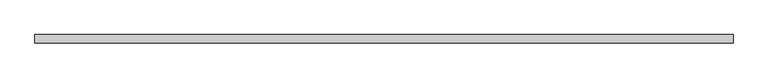
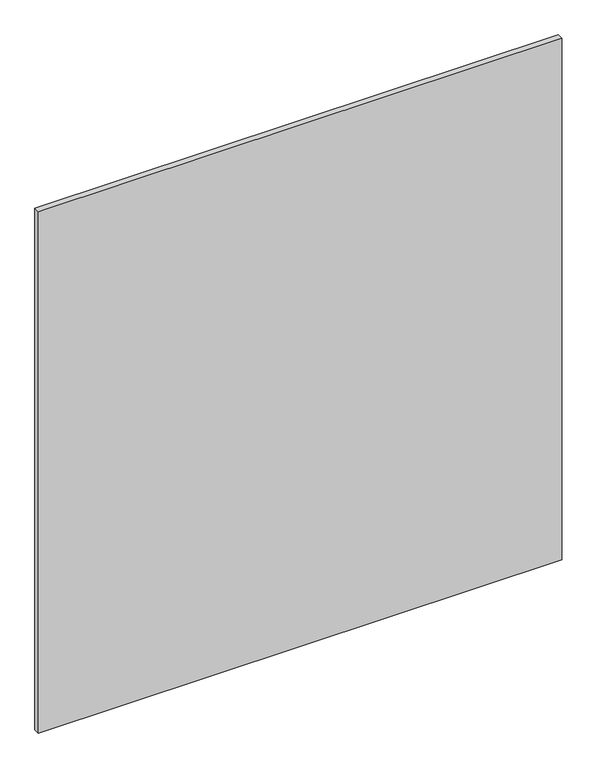
"""IFC4 building model written with IfcOpenShell, lengths in millimetres: plate geometry."""

from ifc_helpers import new_model, si_unit, origin, origin_with_axes, place, context, project, spatial, polyline, outline, extrude, source, transform, mapped, element, save


def plate_c6487fa4(model_context):
    return source(origin(), model_context, "Body", "SweptSolid", [
        extrude(outline(polyline([(612.5, 7.25), (612.5, -7.25), (-612.5, -7.25), (-612.5, 7.25), (612.5, 7.25)])), origin_with_axes(), (0.0, 0.0, 1.0), 1290.0),
    ])


if __name__ == "__main__":
    model = new_model("IFC4")
    model_context = context("Model", 3, world=origin())
    ifc_project = project(units=[si_unit("LENGTHUNIT", "METRE", prefix="MILLI")], contexts=[model_context])
    site = spatial("IfcSite", under=ifc_project)
    building = spatial("IfcBuilding", under=site)
    placement = place(None, origin())
    plate_shape = plate_c6487fa4(model_context)
    element("IfcPlate", 1, at=placement, inside=building, context=model_context, shape_type="MappedRepresentation", body=[
        mapped(plate_shape, transform((0.0, 0.0, 0.0), x_axis=(1.0, 0.0, 0.0), y_axis=(0.0, 1.0, 0.0), z_axis=(0.0, 0.0, 1.0))),
    ])
    save(model, "model.ifc")
